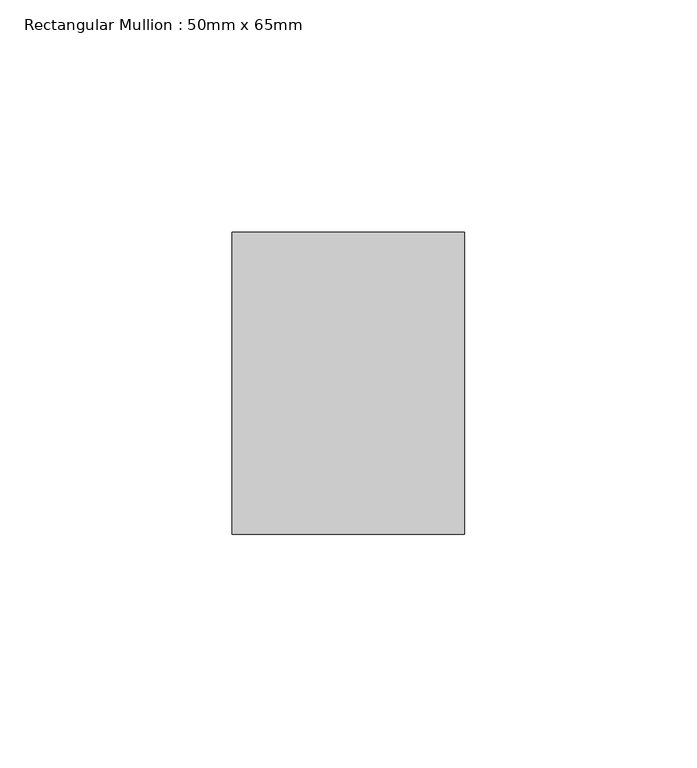
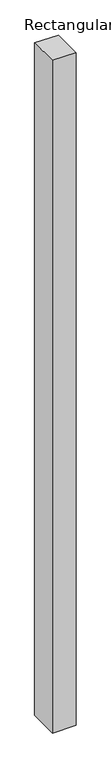
"""IFC4 building model written with IfcOpenShell, lengths in millimetres: member geometry, Rectangular Mullion : 50mm x 65mm."""

from ifc_helpers import new_model, si_unit, origin, place, context, project, spatial, faceted_brep, source, transform, mapped, element, save


def rectangular_mullion_50mm_x_65mm_e6ff6cdd(model_context):
    return source(origin(), model_context, "Body", "Brep", [
        faceted_brep([(-25.0, 32.5, -0.1073308), (25.0, 32.5, -0.1073301), (25.0, 32.5, -1499.9556545), (-25.0, 32.5, -1499.9556541), (-25.0, -32.5, 0.1073301), (-25.0, -32.5, -1500.0443265), (25.0, -32.5, 0.1073308), (25.0, -32.5, -1500.0443269)], [[[0, 1, 2, 3]], [[4, 0, 3, 5]], [[6, 4, 5, 7]], [[1, 6, 7, 2]], [[1, 0, 4, 6]], [[2, 7, 5, 3]]]),
    ])


if __name__ == "__main__":
    model = new_model("IFC4")
    model_context = context("Model", 3, world=origin())
    ifc_project = project(units=[si_unit("LENGTHUNIT", "METRE", prefix="MILLI")], contexts=[model_context])
    site = spatial("IfcSite", under=ifc_project)
    building = spatial("IfcBuilding", under=site)
    placement = place(None, origin())
    rectangular_mullion_50mm_x_65mm_shape = rectangular_mullion_50mm_x_65mm_e6ff6cdd(model_context)
    element("IfcMember", 1, ObjectType="Rectangular Mullion : 50mm x 65mm", at=placement, inside=building, context=model_context, shape_type="MappedRepresentation", body=[
        mapped(rectangular_mullion_50mm_x_65mm_shape, transform((0.0, 0.0, 0.0), x_axis=(1.0, 0.0, 0.0), y_axis=(0.0, 1.0, 0.0), z_axis=(0.0, 0.0, 1.0))),
    ])
    save(model, "model.ifc")
